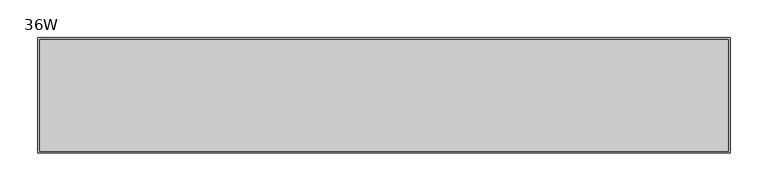
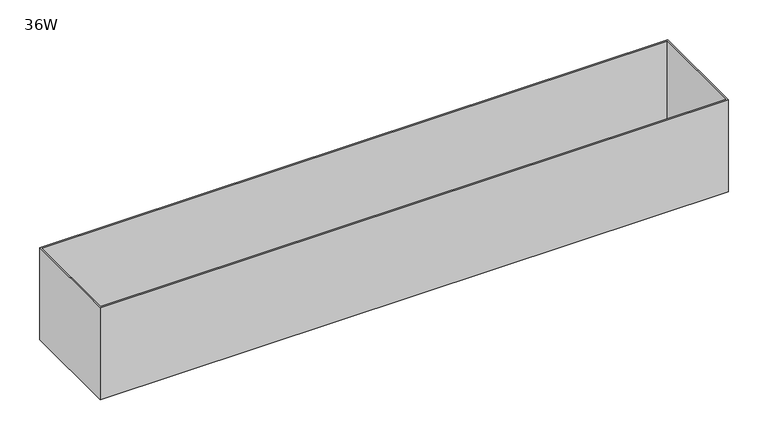
"""IFC4 building model written with IfcOpenShell, lengths in millimetres: furniture geometry, 36W."""

from ifc_helpers import new_model, si_unit, frame, origin, place, context, project, spatial, polyline, outline, extrude, source, transform, mapped, element, save


def furniture_36w_a4c01377(model_context):
    return source(origin(), model_context, "Body", "SweptSolid", [
        extrude(outline(polyline([(454.913984, 73.9140022), (454.913984, -73.9140022), (-454.913984, -73.9140022), (-454.913984, 73.9140022), (454.913984, 73.9140022)])), frame((0.0, 0.0, 12.7000004), z_axis=(0.0, 0.0, 1.0), x_axis=(1.0, 0.0, 0.0)), (0.0, 0.0, 1.0), 2.2860001),
        extrude(outline(polyline([(457.2, 76.2), (457.2, -76.2), (-457.2, -76.2), (-457.2, 76.2), (457.2, 76.2)]), holes=[polyline([(454.913984, 73.9140022), (-454.913984, 73.9140022), (-454.913984, -73.9140022), (454.913984, -73.9140022), (454.913984, 73.9140022)])]), frame((0.0, 0.0, 12.7000004), z_axis=(0.0, 0.0, 1.0), x_axis=(1.0, 0.0, 0.0)), (0.0, 0.0, 1.0), 141.7319977),
    ])


if __name__ == "__main__":
    model = new_model("IFC4")
    model_context = context("Model", 3, world=origin())
    ifc_project = project(units=[si_unit("LENGTHUNIT", "METRE", prefix="MILLI")], contexts=[model_context])
    site = spatial("IfcSite", under=ifc_project)
    building = spatial("IfcBuilding", under=site)
    placement = place(None, origin())
    furniture_36w_shape = furniture_36w_a4c01377(model_context)
    element("IfcFurniture", 1, ObjectType="36W", at=placement, inside=building, context=model_context, shape_type="MappedRepresentation", body=[
        mapped(furniture_36w_shape, transform((0.0, 0.0, 0.0), x_axis=(1.0, 0.0, 0.0), y_axis=(0.0, 1.0, 0.0), z_axis=(0.0, 0.0, 1.0))),
    ])
    save(model, "model.ifc")
